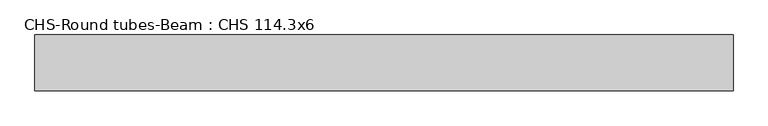
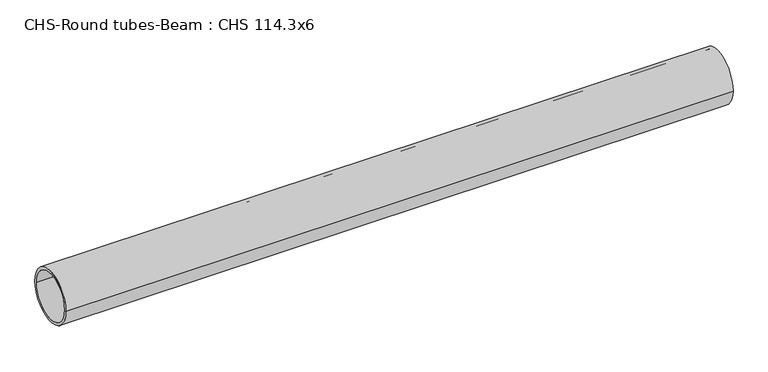
"""IFC4 building model written with IfcOpenShell, lengths in millimetres: beam geometry, CHS-Round tubes-Beam : CHS 114.3x6."""

import ifcopenshell
import ifcopenshell.guid

model = None  # the IFC model being written
_history = None  # IfcOwnerHistory: only IFC2X3 demands one
_inside = {}  # id of a spatial element -> (the spatial element, [elements in it])
_under = {}  # id of a project, library or spatial element -> (it, [spatial elements below it])
_declared = {}  # id of a project -> (the project, [libraries it declares])
_typed = {}  # id of a type object -> (the type object, [elements of that type])
_made_of = {}  # id of a material, layer set ... -> (it, [elements and type objects made of it])


def new_model(schema):
    """Start an empty IFC model of exactly this schema.

    Asked for "IFC4X3", IfcOpenShell would pick the latest addendum, in which some entities
    have other attributes; the version numbers below select the first issue.
    IFC2X3 requires an IfcOwnerHistory on every rooted entity: one is made here for all.
    """
    global model, _history
    if schema == "IFC4X3":
        model = ifcopenshell.file(schema_version=(4, 3, 0, 0))
    else:
        model = ifcopenshell.file(schema=schema)
    _inside.clear()
    _under.clear()
    _declared.clear()
    _typed.clear()
    _made_of.clear()
    _history = None
    if model.schema == "IFC2X3":
        org = make("IfcOrganization", Name="unknown")
        user = make(
            "IfcPersonAndOrganization",
            ThePerson=make("IfcPerson", FamilyName="unknown"),
            TheOrganization=org,
        )
        app = make(
            "IfcApplication",
            ApplicationDeveloper=org,
            Version="unknown",
            ApplicationFullName="unknown",
            ApplicationIdentifier="unknown",
        )
        _history = make(
            "IfcOwnerHistory",
            OwningUser=user,
            OwningApplication=app,
            ChangeAction="ADDED",
            CreationDate=0,
        )
    return model


def make(cls, **values):
    """One entity of the class cls with the attributes given. An attribute that is None is left unset."""
    return model.create_entity(
        cls, **{name: value for name, value in values.items() if value is not None}
    )


def rooted(cls, **values):
    """An entity with a GlobalId (a new one), such as an element, a storey or a relation."""
    return make(cls, GlobalId=ifcopenshell.guid.new(), OwnerHistory=_history, **values)


def si_unit(unit_type, name, prefix=None):
    """IfcSIUnit, for example si_unit("LENGTHUNIT", "METRE", prefix="MILLI")."""
    return make("IfcSIUnit", UnitType=unit_type, Prefix=prefix, Name=name)


def assignment(units):
    """IfcUnitAssignment: the units of a project."""
    return None if units is None else make("IfcUnitAssignment", Units=units)


def point(xyz):
    """IfcCartesianPoint."""
    return None if xyz is None else make("IfcCartesianPoint", Coordinates=xyz)


def direction(xyz):
    """IfcDirection."""
    return None if xyz is None else make("IfcDirection", DirectionRatios=xyz)


def frame(location, z_axis=None, x_axis=None):
    """IfcAxis2Placement3D, a coordinate frame: its origin and axes. An axis left out is left unset."""
    return make(
        "IfcAxis2Placement3D",
        Location=point(location),
        Axis=direction(z_axis),
        RefDirection=direction(x_axis),
    )


def frame_2d(location, x_axis=None):
    """IfcAxis2Placement2D, a coordinate frame in the plane: its origin and x axis."""
    return make(
        "IfcAxis2Placement2D", Location=point(location), RefDirection=direction(x_axis)
    )


def origin():
    """The frame at (0, 0, 0) with its axes left unset."""
    return frame((0.0, 0.0, 0.0))


def origin_2d():
    """The frame at (0, 0) in the plane with its x axis left unset."""
    return frame_2d((0.0, 0.0))


def place(relative_to, where):
    """IfcLocalPlacement: puts the frame where relative to a parent placement (None: the world)."""
    return make(
        "IfcLocalPlacement", PlacementRelTo=relative_to, RelativePlacement=where
    )


def context(
    kind, dimensions, precision=None, world=None, true_north=None, identifier=None
):
    """IfcGeometricRepresentationContext, for example the 3D "Model" context."""
    return make(
        "IfcGeometricRepresentationContext",
        ContextIdentifier=identifier,
        ContextType=kind,
        CoordinateSpaceDimension=dimensions,
        Precision=precision,
        WorldCoordinateSystem=world,
        TrueNorth=true_north,
    )


def project(units=None, contexts=None):
    """IfcProject with its units and contexts."""
    return rooted(
        "IfcProject",
        Name="project",
        RepresentationContexts=contexts,
        UnitsInContext=assignment(units),
    )


def spatial(cls, under=None, at=None, **own):
    """A site, building, storey or space (cls), placed at a placement, below another one or the project."""
    s = rooted(cls, ObjectPlacement=at, **own)
    if under is not None:
        _under.setdefault(under.id(), (under, []))[1].append(s)
    return s


def circle_curve(where, radius):
    """IfcCircle in the frame where."""
    return make("IfcCircle", Position=where, Radius=radius)


def trimmed(basis, trim1, trim2, sense, master):
    """IfcTrimmedCurve: the piece of a basis curve between two trims."""
    return make(
        "IfcTrimmedCurve",
        BasisCurve=basis,
        Trim1=trim1,
        Trim2=trim2,
        SenseAgreement=sense,
        MasterRepresentation=master,
    )


def segment(curve, same_sense, transition):
    """IfcCompositeCurveSegment."""
    return make(
        "IfcCompositeCurveSegment",
        Transition=transition,
        SameSense=same_sense,
        ParentCurve=curve,
    )


def composite_curve(segments, self_intersect=None):
    """IfcCompositeCurve: segments joined end to end."""
    return make("IfcCompositeCurve", Segments=segments, SelfIntersect=self_intersect)


def outline(outer, holes=None, kind="AREA"):
    """IfcArbitraryClosedProfileDef: a profile drawn as a closed curve; with holes, ...WithVoids."""
    if holes is None:
        return make("IfcArbitraryClosedProfileDef", ProfileType=kind, OuterCurve=outer)
    return make(
        "IfcArbitraryProfileDefWithVoids",
        ProfileType=kind,
        OuterCurve=outer,
        InnerCurves=holes,
    )


def extrude(swept, where, along, depth):
    """IfcExtrudedAreaSolid: the profile swept, set in the frame where, extruded along a direction by depth."""
    return make(
        "IfcExtrudedAreaSolid",
        SweptArea=swept,
        Position=where,
        ExtrudedDirection=direction(along),
        Depth=depth,
    )


def shape(context_of_items, identifier, shape_type, items):
    """IfcShapeRepresentation: the items that make up one representation, for example the "Body"."""
    return make(
        "IfcShapeRepresentation",
        ContextOfItems=context_of_items,
        RepresentationIdentifier=identifier,
        RepresentationType=shape_type,
        Items=items,
    )


def source(mapping_origin, context_of_items, identifier, shape_type, items):
    """IfcRepresentationMap: a shape defined once, which mapped items show again and again."""
    return make(
        "IfcRepresentationMap",
        MappingOrigin=mapping_origin,
        MappedRepresentation=shape(context_of_items, identifier, shape_type, items),
    )


def transform(
    local_origin,
    x_axis=None,
    y_axis=None,
    z_axis=None,
    scale=None,
    scale2=None,
    scale3=None,
    uniform=True,
):
    """IfcCartesianTransformationOperator3D, or its non-uniform kind. x_axis, y_axis, z_axis: its Axis1, 2, 3."""
    if uniform:
        return make(
            "IfcCartesianTransformationOperator3D",
            Axis1=direction(x_axis),
            Axis2=direction(y_axis),
            LocalOrigin=point(local_origin),
            Scale=scale,
            Axis3=direction(z_axis),
        )
    return make(
        "IfcCartesianTransformationOperator3DnonUniform",
        Axis1=direction(x_axis),
        Axis2=direction(y_axis),
        LocalOrigin=point(local_origin),
        Scale=scale,
        Axis3=direction(z_axis),
        Scale2=scale2,
        Scale3=scale3,
    )


def mapped(mapping_source, mapping_target):
    """IfcMappedItem: shows the shape of a source again, moved by a transform."""
    return make(
        "IfcMappedItem", MappingSource=mapping_source, MappingTarget=mapping_target
    )


def made_of(thing, what):
    """Note that an element or type object is made of a material, layer set ...; save() writes the relation."""
    if what is not None:
        _made_of.setdefault(what.id(), (what, []))[1].append(thing)
    return thing


def element(
    cls,
    number,
    at=None,
    inside=None,
    cuts=None,
    type_object=None,
    material=None,
    context=None,
    identifier="Body",
    shape_type=None,
    held_by="IfcProductDefinitionShape",
    body=None,
    shapes=None,
    **own,
):
    """One element of the class cls, such as IfcWall. Its Tag is "e" and its number.

    at: its placement. inside: the storey or other place that contains it. cuts: it is an
    opening in that element (IfcRelVoidsElement). A single representation is given by context,
    identifier, shape_type and body (its items); several are given by shapes. held_by: the class
    of the entity that holds the representations. save() writes the other relations.
    """
    e = rooted(cls, Tag="e%d" % number, ObjectPlacement=at, **own)
    if body is not None:
        shapes = [shape(context, identifier, shape_type, body)]
    if shapes is not None:
        e.Representation = make(held_by, Representations=shapes)
    if inside is not None:
        _inside.setdefault(inside.id(), (inside, []))[1].append(e)
    if cuts is not None:
        rooted(
            "IfcRelVoidsElement", RelatingBuildingElement=cuts, RelatedOpeningElement=e
        )
    if type_object is not None:
        _typed.setdefault(type_object.id(), (type_object, []))[1].append(e)
    return made_of(e, material)


def aggregate(whole, parts):
    """IfcRelAggregates: a whole, such as a stair, and the parts it consists of."""
    return rooted("IfcRelAggregates", RelatingObject=whole, RelatedObjects=parts)


def save(model, path):
    """Write the relations noted so far, then the file.

    IfcRelAggregates (storeys below a building ...), IfcRelContainedInSpatialStructure (elements
    in a storey), IfcRelDefinesByType, IfcRelAssociatesMaterial and IfcRelDeclares: one each for
    every whole, place, type object, material and project.
    """
    for whole, parts in _under.values():
        aggregate(whole, parts)
    for where, things in _inside.values():
        rooted(
            "IfcRelContainedInSpatialStructure",
            RelatedElements=things,
            RelatingStructure=where,
        )
    for kind, things in _typed.values():
        rooted("IfcRelDefinesByType", RelatedObjects=things, RelatingType=kind)
    for what, things in _made_of.values():
        rooted("IfcRelAssociatesMaterial", RelatedObjects=things, RelatingMaterial=what)
    for by, libraries in _declared.values():
        rooted("IfcRelDeclares", RelatingContext=by, RelatedDefinitions=libraries)
    model.write(path)


def chs_round_tubes_beam_chs_114_3x6_3262b5ca(model_context):
    return source(origin(), model_context, "Body", "SweptSolid", [
        extrude(outline(composite_curve([segment(trimmed(circle_curve(origin_2d(), 57.15), [point((57.15, 0.0))], [point((-57.15, 0.0))], False, "CARTESIAN"), True, "CONTINUOUS"), segment(trimmed(circle_curve(origin_2d(), 57.15), [point((-57.15, 0.0))], [point((57.15, 0.0))], False, "CARTESIAN"), True, "CONTINUOUS")], self_intersect=False), holes=[composite_curve([segment(trimmed(circle_curve(origin_2d(), 51.15), [point((51.15, 0.0))], [point((-51.15, 0.0))], True, "CARTESIAN"), True, "CONTINUOUS"), segment(trimmed(circle_curve(origin_2d(), 51.15), [point((-51.15, 0.0))], [point((51.15, 0.0))], True, "CARTESIAN"), True, "CONTINUOUS")], self_intersect=False)]), frame((-703.0434298, 0.0, 0.0), z_axis=(1.0, 0.0, 0.0), x_axis=(0.0, 1.0, 0.0)), (0.0, 0.0, 1.0), 1422.8581253),
    ])


if __name__ == "__main__":
    model = new_model("IFC4")
    model_context = context("Model", 3, world=origin())
    ifc_project = project(units=[si_unit("LENGTHUNIT", "METRE", prefix="MILLI")], contexts=[model_context])
    site = spatial("IfcSite", under=ifc_project)
    building = spatial("IfcBuilding", under=site)
    placement = place(None, origin())
    chs_round_tubes_beam_chs_114_3x6_shape = chs_round_tubes_beam_chs_114_3x6_3262b5ca(model_context)
    element("IfcBeam", 1, ObjectType="CHS-Round tubes-Beam : CHS 114.3x6", at=placement, inside=building, context=model_context, shape_type="MappedRepresentation", body=[
        mapped(chs_round_tubes_beam_chs_114_3x6_shape, transform((0.0, 0.0, 0.0), x_axis=(1.0, 0.0, 0.0), y_axis=(0.0, 1.0, 0.0), z_axis=(0.0, 0.0, 1.0))),
    ])
    save(model, "model.ifc")
